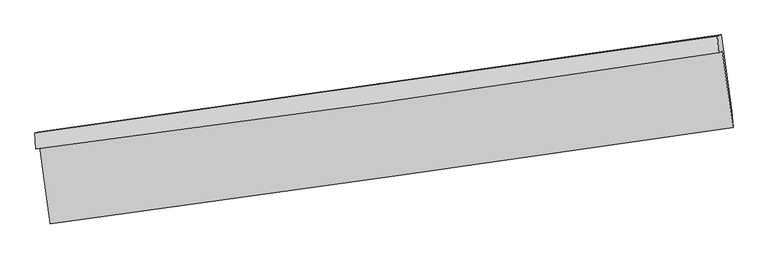
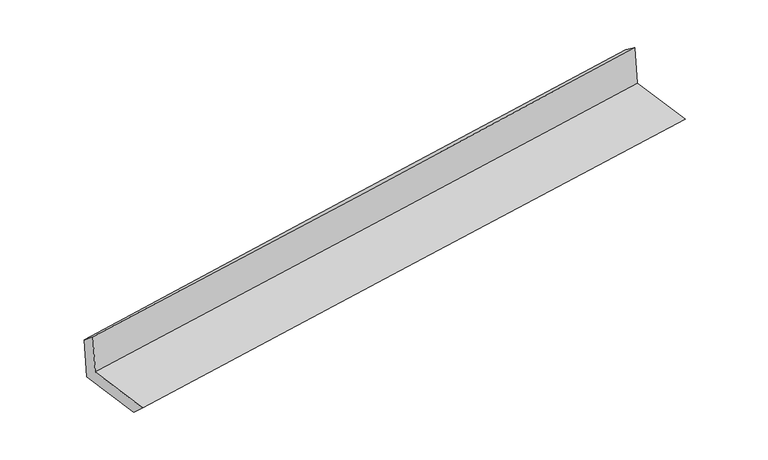
"""IFC4 building model written with IfcOpenShell, lengths in millimetres: proxy geometry."""

from ifc_helpers import new_model, si_unit, frame, origin, place, context, project, spatial, source, transform, mapped, element, save
from ifc_brep_helpers import plane_surface, spline_curve, spline_surface, advanced_brep


def generic_models_797f53bc(model_context):
    return source(origin(), model_context, "Body", "AdvancedBrep", [
        advanced_brep(
        [(-2989.9921879, -1910.0645472, 1649.2617206), (-2896.1001097, -2577.4210585, 1637.1929552), (3037.7746686, -1740.3080097, 2124.2886744), (2943.4357902, -1075.3780487, 2136.2488623), (-3021.7895156, -1926.7788751, 2045.1082667), (2910.9446997, -1087.1080206, 2532.0985561), (-3031.2190427, -1788.7528519, 1931.7175438), (2899.8654694, -944.6374092, 2428.7421337), (-2997.3264046, -1776.5168917, 1518.7923337), (2933.1448428, -932.6228506, 2023.288529), (-2905.2218167, -2431.1684624, 1506.9533299), (3027.0637262, -1594.5925552, 2011.3815877)],
        [
            (0, 1),
            (1, 2, spline_curve(3, [(-2896.1001097, -2577.4210585, 1637.1929552), (-1907.37006042, -2441.037291378, 1726.48457978), (-918.521744358, -2303.086891845, 1811.721238787), (1059.436509035, -2024.049288603, 1974.086684362), (2048.546452241, -1882.962005188, 2051.215265256), (3037.7746686, -1740.3080097, 2124.2886744)], [4, 2, 4], [0.0, 9.862217376210065, 19.72468492890573])),
            (2, 3),
            (3, 0, spline_curve(3, [(2943.4357902, -1075.3780487, 2136.2488623), (1955.323266469, -1225.000544216, 2063.060535027), (966.808396438, -1369.369815975, 1985.883544277), (-1011.000950049, -1647.598382335, 1823.554294813), (-2000.295406268, -1781.457943565, 1738.402238258), (-2989.9921879, -1910.0645472, 1649.2617206)], [4, 2, 4], [0.0, 9.862467552695666, 19.72468492890573])),
            (4, 0),
            (3, 5),
            (5, 4, spline_curve(3, [(2910.9446997, -1087.1080206, 2532.0985561), (1923.314320205, -1239.152345228, 2457.248820234), (935.098334806, -1385.147889241, 2379.240873647), (-1042.479766951, -1665.037867397, 2216.910616656), (-2031.841852962, -1798.932608001, 2132.588467183), (-3021.7895156, -1926.7788751, 2045.1082667)], [4, 2, 4], [0.0, 9.861912907024045, 19.72357565163192])),
            (6, 4),
            (5, 7),
            (7, 6, spline_curve(3, [(2899.8654694, -944.6374092, 2428.7421337), (1911.160499026, -1085.836367437, 2349.106547308), (922.544703445, -1226.779688891, 2267.86949286), (-1054.483462964, -1508.151490152, 2102.194548265), (-2042.895837868, -1648.579982759, 2017.756739563), (-3031.2190427, -1788.7528519, 1931.7175438)], [4, 2, 4], [0.0, 9.861623263521585, 19.722996371974247])),
            (8, 6),
            (7, 9),
            (9, 8, spline_curve(3, [(2933.1448428, -932.6228506, 2023.288529), (1944.473940359, -1073.809509414, 1943.237879824), (955.9262853, -1214.728230766, 1861.170646691), (-1020.897457412, -1496.026230813, 1693.005146223), (-2009.173551502, -1636.405523068, 1606.906980786), (-2997.3264046, -1776.5168917, 1518.7923337)], [4, 2, 4], [0.0, 9.861402915775114, 19.722555682070762])),
            (10, 8),
            (9, 11),
            (11, 10, spline_curve(3, [(3027.0637262, -1594.5925552, 2011.3815877), (2038.438705091, -1737.034868312, 1931.297496361), (1049.762795133, -1877.971549032, 1849.219204015), (-927.665721974, -2156.830108488, 1681.076350412), (-1916.418326241, -2294.752063406, 1595.011890073), (-2905.2218167, -2431.1684624, 1506.9533299)], [4, 2, 4], [0.0, 9.862023328943405, 19.723796492669617])),
            (1, 10),
            (11, 2),
        ],
        [
            spline_surface(3, 3, [[(-2989.9921879, -1910.0645472, 1649.2617206), (-2000.295406141, -1781.45794352, 1738.402238202), (-1011.000950029, -1647.598382319, 1823.554294761), (966.808396417, -1369.369815991, 1985.88354433), (1955.323266337, -1225.000544366, 2063.060535042), (2943.4357902, -1075.3780487, 2136.2488623)], [(-2958.694828515, -2132.516717606, 1645.238798793), (-1969.320290937, -2001.317726164, 1734.42968544), (-980.174548156, -1866.094552178, 1819.609942806), (997.684433954, -1587.596306815, 1981.951257673), (1986.397661673, -1444.321031284, 2059.11211175), (2974.882082989, -1297.02136903, 2132.262133012)], [(-2927.397469085, -2354.968888094, 1641.215877007), (-1938.345175687, -2221.17750889, 1730.457132697), (-949.348146253, -2084.590722081, 1815.665590798), (1028.560471521, -1805.822797684, 1978.018970962), (2017.472057043, -1663.641518212, 2055.163688422), (3006.328375811, -1518.66468937, 2128.275403688)], [(-2896.1001097, -2577.4210585, 1637.1929552), (-1907.370060483, -2441.037291533, 1726.484579935), (-918.52174438, -2303.08689194, 1811.721238844), (1059.436509058, -2024.049288509, 1974.086684305), (2048.546452379, -1882.96200513, 2051.21526513), (3037.7746686, -1740.3080097, 2124.2886744)]], [4, 4], [4, 2, 4], [0.0, 2.170916648964403], [0.0, 9.862217376210065, 19.72468492890573]),
            spline_surface(3, 3, [[(-3021.7895156, -1926.7788751, 2045.1082667), (-2031.841852898, -1798.932607872, 2132.588467147), (-1042.479766808, -1665.037867302, 2216.910616805), (935.098334664, -1385.147889336, 2379.240873498), (1923.314320348, -1239.152345077, 2457.248820302), (2910.9446997, -1087.1080206, 2532.0985561)], [(-3011.190406352, -1921.207432475, 1913.15941802), (-2021.326370631, -1793.107719763, 2001.193057519), (-1031.986827862, -1659.224705665, 2085.791842776), (945.668355268, -1379.888531578, 2248.121763761), (1933.98396903, -1234.43507818, 2325.852725214), (2921.775063219, -1083.198029974, 2400.148658165)], [(-3000.591297148, -1915.635989825, 1781.21056928), (-2010.810888408, -1787.282831629, 1869.797647831), (-1021.493888975, -1653.411543956, 1954.673068789), (956.238375813, -1374.629173748, 2117.002654066), (1944.653617655, -1229.717811263, 2194.45663013), (2932.605426681, -1079.288039326, 2268.198760235)], [(-2989.9921879, -1910.0645472, 1649.2617206), (-2000.295406141, -1781.45794352, 1738.402238202), (-1011.000950029, -1647.598382319, 1823.554294761), (966.808396417, -1369.369815991, 1985.88354433), (1955.323266337, -1225.000544366, 2063.060535042), (2943.4357902, -1075.3780487, 2136.2488623)]], [4, 4], [4, 2, 4], [0.0, 1.2958430977293327], [0.0, 9.861662744607873, 19.72357565163192]),
            spline_surface(3, 3, [[(-3031.2190427, -1788.7528519, 1931.7175438), (-2042.895837914, -1648.579982787, 2017.756739541), (-1054.483462847, -1508.151490147, 2102.194548294), (922.544703328, -1226.779688896, 2267.869492831), (1911.160498962, -1085.836367276, 2349.106547396), (2899.8654694, -944.6374092, 2428.7421337)], [(-3028.075867014, -1834.761526302, 1969.514451416), (-2039.211176256, -1698.697524484, 2056.033982059), (-1050.482230843, -1560.446949198, 2140.433237811), (926.729247098, -1279.569089042, 2304.9932864), (1915.211772741, -1136.941693195, 2385.153971692), (2903.55854615, -992.127612985, 2463.194274494)], [(-3024.932691286, -1880.770200698, 2007.311359084), (-2035.526514556, -1748.815066175, 2094.311224629), (-1046.480998812, -1612.742408251, 2178.671927288), (930.913790894, -1332.358489189, 2342.117079929), (1919.26304657, -1188.047019158, 2421.201396005), (2907.25162295, -1039.617816815, 2497.646415306)], [(-3021.7895156, -1926.7788751, 2045.1082667), (-2031.841852898, -1798.932607872, 2132.588467147), (-1042.479766808, -1665.037867302, 2216.910616805), (935.098334664, -1385.147889336, 2379.240873498), (1923.314320348, -1239.152345077, 2457.248820302), (2910.9446997, -1087.1080206, 2532.0985561)]], [4, 4], [4, 2, 4], [0.0, 0.6376657159787251], [0.0, 9.861373108452662, 19.722996371974247]),
            spline_surface(3, 3, [[(-2997.3264046, -1776.5168917, 1518.7923337), (-2009.173551528, -1636.405523164, 1606.906980661), (-1020.897457511, -1496.02623085, 1693.005146085), (955.926285399, -1214.728230729, 1861.170646829), (1944.473940458, -1073.809509372, 1943.237879829), (2933.1448428, -932.6228506, 2023.288529)], [(-3008.623950619, -1780.595545104, 1656.434070424), (-2020.414313642, -1640.463676376, 1743.856900312), (-1032.092792616, -1500.06798395, 1829.401613481), (944.799091381, -1218.745383452, 1996.736928822), (1933.369459945, -1077.818462039, 2078.527435695), (2922.051718319, -936.627703499, 2158.439730577)], [(-3019.921496681, -1784.674198496, 1794.075807076), (-2031.6550758, -1644.521829576, 1880.80681989), (-1043.288127741, -1504.109737047, 1965.798080898), (933.671897345, -1222.762536173, 2132.303210838), (1922.264979475, -1081.827414608, 2213.81699153), (2910.958593881, -940.632556301, 2293.590932123)], [(-3031.2190427, -1788.7528519, 1931.7175438), (-2042.895837914, -1648.579982787, 2017.756739541), (-1054.483462847, -1508.151490147, 2102.194548294), (922.544703328, -1226.779688896, 2267.869492831), (1911.160498962, -1085.836367276, 2349.106547396), (2899.8654694, -944.6374092, 2428.7421337)]], [4, 4], [4, 2, 4], [0.0, 1.343485610895062], [0.0, 9.861152766295648, 19.722555682070762]),
            spline_surface(3, 3, [[(-2905.2218167, -2431.1684624, 1506.9533299), (-1916.418326141, -2294.752063508, 1595.011889996), (-927.665721869, -2156.83010845, 1681.076350337), (1049.762795027, -1877.971549069, 1849.219204089), (2038.438705026, -1737.034868457, 1931.297496385), (3027.0637262, -1594.5925552, 2011.3815877)], [(-2935.923345999, -2212.951272148, 1510.899664484), (-1947.336734602, -2075.303216708, 1598.976920201), (-958.742967104, -1936.562149227, 1685.052615579), (1018.483958463, -1656.890442932, 1853.203018328), (2007.117116852, -1515.959748761, 1935.277624207), (2995.757431749, -1373.935986999, 2015.35056814)], [(-2966.624875301, -1994.734081952, 1514.845999116), (-1978.255143067, -1855.854369964, 1602.941950456), (-989.820212275, -1716.294190074, 1689.028880843), (987.205121963, -1435.809336866, 1857.18683259), (1975.795528632, -1294.884629068, 1939.257752008), (2964.451137251, -1153.279418801, 2019.31954856)], [(-2997.3264046, -1776.5168917, 1518.7923337), (-2009.173551528, -1636.405523164, 1606.906980661), (-1020.897457511, -1496.02623085, 1693.005146085), (955.926285399, -1214.728230729, 1861.170646829), (1944.473940458, -1073.809509372, 1943.237879829), (2933.1448428, -932.6228506, 2023.288529)]], [4, 4], [4, 2, 4], [0.0, 2.1939143076718515], [0.0, 9.861773163726212, 19.723796492669617]),
            spline_surface(3, 3, [[(-2896.1001097, -2577.4210585, 1637.1929552), (-1907.370060483, -2441.037291533, 1726.484579935), (-918.52174438, -2303.08689194, 1811.721238844), (1059.436509058, -2024.049288509, 1974.086684305), (2048.546452379, -1882.96200513, 2051.21526513), (3037.7746686, -1740.3080097, 2124.2886744)], [(-2899.140678701, -2528.670193165, 1593.779746763), (-1910.386149037, -2392.275548889, 1682.660349952), (-921.569736862, -2254.33463079, 1768.172942672), (1056.211937728, -1975.356708709, 1932.464190897), (2045.17720327, -1834.319626219, 2011.242675527), (3034.204354475, -1691.736191513, 2086.652978812)], [(-2902.181247699, -2479.919327735, 1550.366538337), (-1913.402237587, -2343.513806151, 1638.836119979), (-924.617729386, -2205.5823696, 1724.624646509), (1052.987366357, -1926.664128869, 1890.841697498), (2041.807954136, -1785.677247368, 1971.270085988), (3030.634040325, -1643.164373387, 2049.017283288)], [(-2905.2218167, -2431.1684624, 1506.9533299), (-1916.418326141, -2294.752063508, 1595.011889996), (-927.665721869, -2156.83010845, 1681.076350337), (1049.762795027, -1877.971549069, 1849.219204089), (2038.438705026, -1737.034868457, 1931.297496385), (3027.0637262, -1594.5925552, 2011.3815877)]], [4, 4], [4, 2, 4], [0.0, 0.6376573613915797], [0.0, 9.862608093255103, 19.725466372907192]),
            plane_surface(frame((2958.7048661, -1229.1078157, 2209.3413905), z_axis=(0.9867056305499006, 0.1384611948055521, 0.08509110514114994), x_axis=(-0.08176861498064424, -0.02952020193565795, 0.9962140589661568))),
            plane_surface(frame((-2973.6081796, -2068.4504478, 1714.8376917), z_axis=(-0.9868687552510118, -0.13730661720645138, -0.08507028141859897), x_axis=(-0.13929807433635846, 0.9900886074230991, 0.017905193022436327))),
        ],
        [
            (0, [[1, 2, 3, 4]]),
            (1, [[5, -4, 6, 7]]),
            (2, [[8, -7, 9, 10]]),
            (3, [[11, -10, 12, 13]]),
            (4, [[14, -13, 15, 16]]),
            (5, [[17, -16, 18, -2]]),
            (6, [[-12, -9, -6, -3, -18, -15]]),
            (7, [[-1, -5, -8, -11, -14, -17]]),
        ],
    ),
    ])


if __name__ == "__main__":
    model = new_model("IFC4")
    model_context = context("Model", 3, world=origin())
    ifc_project = project(units=[si_unit("LENGTHUNIT", "METRE", prefix="MILLI")], contexts=[model_context])
    site = spatial("IfcSite", under=ifc_project)
    building = spatial("IfcBuilding", under=site)
    placement = place(None, origin())
    generic_models_shape = generic_models_797f53bc(model_context)
    element("IfcBuildingElementProxy", 1, Name="Generic Models", at=placement, inside=building, context=model_context, shape_type="MappedRepresentation", body=[
        mapped(generic_models_shape, transform((0.0, 0.0, 0.0), x_axis=(1.0, 0.0, 0.0), y_axis=(0.0, 1.0, 0.0), z_axis=(0.0, 0.0, 1.0))),
    ])
    save(model, "model.ifc")
